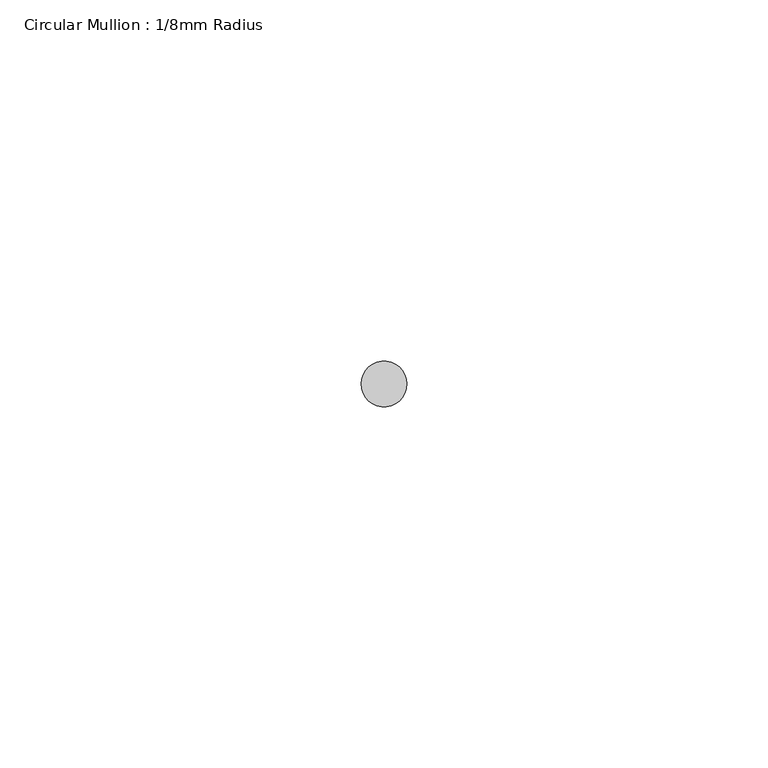
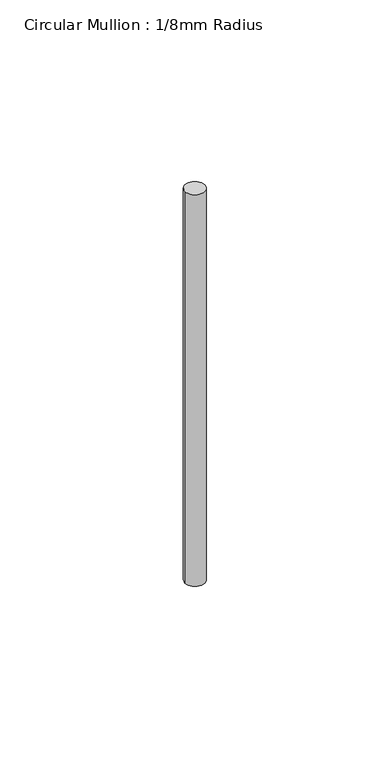
"""IFC4 building model written with IfcOpenShell, lengths in millimetres: member geometry, Circular Mullion : 1/8mm Radius."""

from ifc_helpers import new_model, si_unit, point, frame, origin, origin_2d, place, context, project, spatial, circle_curve, trimmed, segment, composite_curve, outline, extrude, source, transform, mapped, element, save


def circular_mullion_1_8mm_radius_8152b831(model_context):
    return source(origin(), model_context, "Body", "SweptSolid", [
        extrude(outline(composite_curve([segment(trimmed(circle_curve(origin_2d(), 3.175), [point((3.175, 0.0))], [point((-3.175, 0.0))], False, "CARTESIAN"), True, "CONTINUOUS"), segment(trimmed(circle_curve(origin_2d(), 3.175), [point((-3.175, 0.0))], [point((3.175, 0.0))], False, "CARTESIAN"), True, "CONTINUOUS")], self_intersect=False)), frame((0.0, 0.0, -133.35), z_axis=(0.0, 0.0, 1.0), x_axis=(1.0, 0.0, 0.0)), (0.0, 0.0, 1.0), 133.35),
    ])


if __name__ == "__main__":
    model = new_model("IFC4")
    model_context = context("Model", 3, world=origin())
    ifc_project = project(units=[si_unit("LENGTHUNIT", "METRE", prefix="MILLI")], contexts=[model_context])
    site = spatial("IfcSite", under=ifc_project)
    building = spatial("IfcBuilding", under=site)
    placement = place(None, origin())
    circular_mullion_1_8mm_radius_shape = circular_mullion_1_8mm_radius_8152b831(model_context)
    element("IfcMember", 1, ObjectType="Circular Mullion : 1/8mm Radius", at=placement, inside=building, context=model_context, shape_type="MappedRepresentation", body=[
        mapped(circular_mullion_1_8mm_radius_shape, transform((0.0, 0.0, 0.0), x_axis=(1.0, 0.0, 0.0), y_axis=(0.0, 1.0, 0.0), z_axis=(0.0, 0.0, 1.0))),
    ])
    save(model, "model.ifc")
